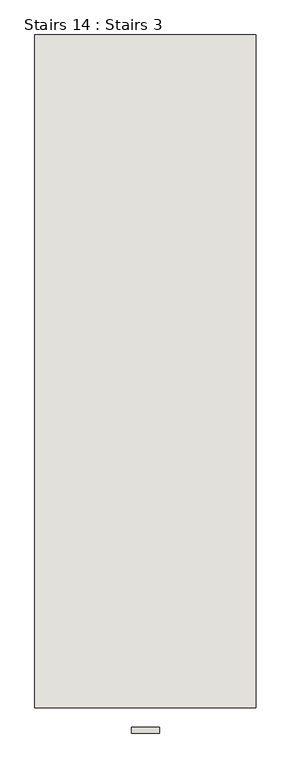
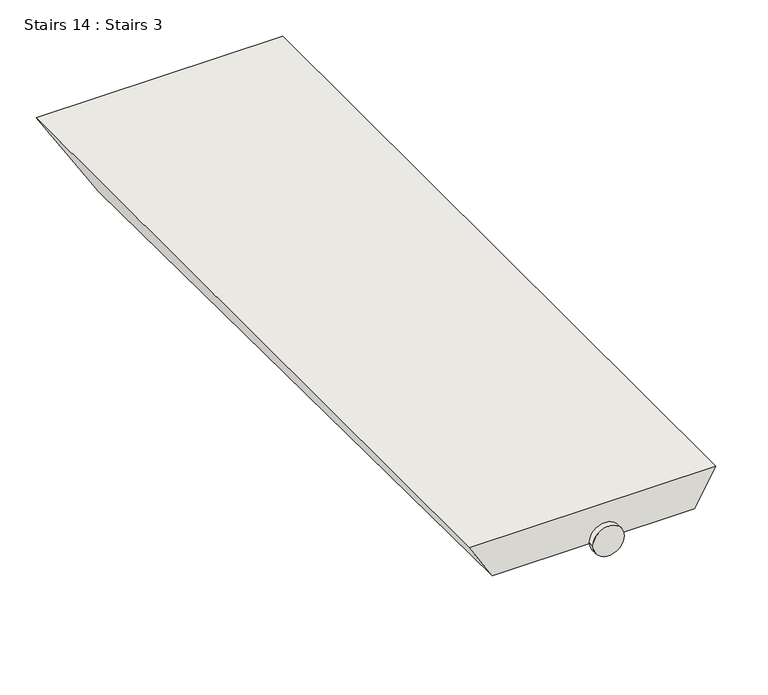
"""IFC4 building model written with IfcOpenShell, lengths in millimetres: wall geometry, Stairs 14 : Stairs 3."""

from ifc_helpers import new_model, si_unit, point, frame, frame_2d, origin, place, context, project, spatial, circle_curve, trimmed, segment, composite_curve, outline, extrude, faceted_brep, source, transform, mapped, element, save


def stairs_14_stairs_3_72196ae8(model_context):
    return source(origin(), model_context, "Body", "SolidModel", [
        extrude(outline(composite_curve([segment(trimmed(circle_curve(frame_2d((68857.247605, 102009.1203021)), 25.0), [point((68857.247605, 102034.1203021))], [point((68857.247605, 101984.1203021))], False, "CARTESIAN"), True, "CONTINUOUS"), segment(trimmed(circle_curve(frame_2d((68857.247605, 102009.1203021)), 25.0), [point((68857.247605, 101984.1203021))], [point((68857.247605, 102034.1203021))], False, "CARTESIAN"), True, "CONTINUOUS")], self_intersect=False)), frame((0.0, -36520.9230841, 0.0), z_axis=(0.0, 1.0, 0.0), x_axis=(0.0, 0.0, 1.0)), (0.0, 0.0, 1.0), 10.0),
        faceted_brep([(102206.4672818, -36475.9230841, 68887.247605), (101811.7733223, -36475.9230841, 68887.247605), (101849.2654834, -36475.9230841, 68827.247605), (102171.8262656, -36475.9230841, 68827.247605), (101811.7733223, -35275.9230841, 68887.247605), (102206.4672818, -35275.9230841, 68887.247605), (102114.0912387, -35275.9230841, 68727.247605), (101911.7524186, -35275.9230841, 68727.247605)], [[[0, 1, 2, 3]], [[4, 5, 6, 7]], [[5, 4, 1, 0]], [[7, 6, 3, 2]], [[2, 1, 4, 7]], [[0, 3, 6, 5]]]),
    ])


if __name__ == "__main__":
    model = new_model("IFC4")
    model_context = context("Model", 3, world=origin())
    ifc_project = project(units=[si_unit("LENGTHUNIT", "METRE", prefix="MILLI")], contexts=[model_context])
    site = spatial("IfcSite", under=ifc_project)
    building = spatial("IfcBuilding", under=site)
    placement = place(None, origin())
    stairs_14_stairs_3_shape = stairs_14_stairs_3_72196ae8(model_context)
    element("IfcWall", 1, ObjectType="Stairs 14 : Stairs 3", at=placement, inside=building, context=model_context, shape_type="MappedRepresentation", body=[
        mapped(stairs_14_stairs_3_shape, transform((0.0, 0.0, 0.0), x_axis=(1.0, 0.0, 0.0), y_axis=(0.0, 1.0, 0.0), z_axis=(0.0, 0.0, 1.0))),
    ])
    save(model, "model.ifc")
